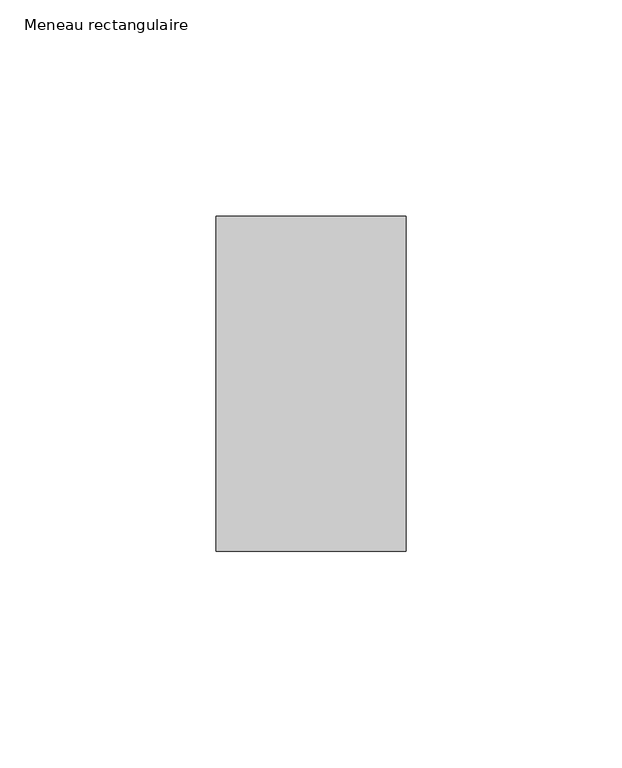
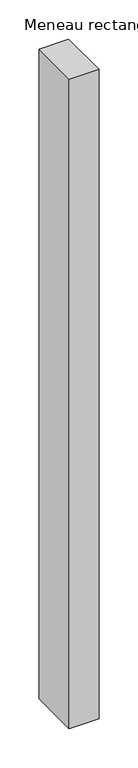
"""IFC4 building model written with IfcOpenShell, lengths in millimetres: member geometry, Meneau rectangulaire."""

from ifc_helpers import new_model, si_unit, frame, origin, place, context, project, spatial, polyline, outline, extrude, source, transform, mapped, element, save


def meneau_rectangulaire_276a8f37(model_context):
    return source(origin(), model_context, "Body", "SweptSolid", [
        extrude(outline(polyline([(-44.0, 38.75), (0.0, 38.75), (0.0, -38.75), (-44.0, -38.75), (-44.0, 38.75)])), frame((0.0, 0.0, -1013.1330689), z_axis=(0.0, 0.0, 1.0), x_axis=(1.0, 0.0, 0.0)), (0.0, 0.0, 1.0), 1013.1330689),
    ])


if __name__ == "__main__":
    model = new_model("IFC4")
    model_context = context("Model", 3, world=origin())
    ifc_project = project(units=[si_unit("LENGTHUNIT", "METRE", prefix="MILLI")], contexts=[model_context])
    site = spatial("IfcSite", under=ifc_project)
    building = spatial("IfcBuilding", under=site)
    placement = place(None, origin())
    meneau_rectangulaire_shape = meneau_rectangulaire_276a8f37(model_context)
    element("IfcMember", 1, ObjectType="Meneau rectangulaire", at=placement, inside=building, context=model_context, shape_type="MappedRepresentation", body=[
        mapped(meneau_rectangulaire_shape, transform((0.0, 0.0, 0.0), x_axis=(1.0, 0.0, 0.0), y_axis=(0.0, 1.0, 0.0), z_axis=(0.0, 0.0, 1.0))),
    ])
    save(model, "model.ifc")
